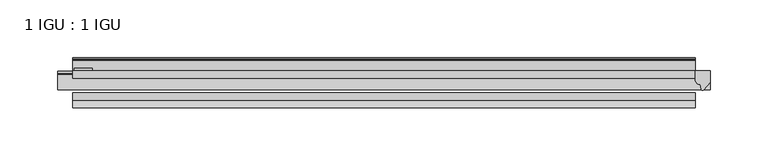
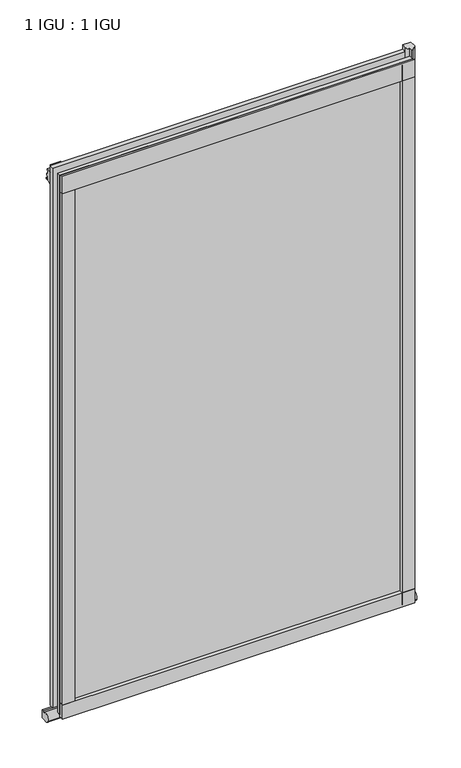
"""IFC4 building model written with IfcOpenShell, lengths in millimetres: plate geometry, 1 IGU : 1 IGU."""

import ifcopenshell
import ifcopenshell.guid

model = None  # the IFC model being written
_history = None  # IfcOwnerHistory: only IFC2X3 demands one
_inside = {}  # id of a spatial element -> (the spatial element, [elements in it])
_under = {}  # id of a project, library or spatial element -> (it, [spatial elements below it])
_declared = {}  # id of a project -> (the project, [libraries it declares])
_typed = {}  # id of a type object -> (the type object, [elements of that type])
_made_of = {}  # id of a material, layer set ... -> (it, [elements and type objects made of it])


def new_model(schema):
    """Start an empty IFC model of exactly this schema.

    Asked for "IFC4X3", IfcOpenShell would pick the latest addendum, in which some entities
    have other attributes; the version numbers below select the first issue.
    IFC2X3 requires an IfcOwnerHistory on every rooted entity: one is made here for all.
    """
    global model, _history
    if schema == "IFC4X3":
        model = ifcopenshell.file(schema_version=(4, 3, 0, 0))
    else:
        model = ifcopenshell.file(schema=schema)
    _inside.clear()
    _under.clear()
    _declared.clear()
    _typed.clear()
    _made_of.clear()
    _history = None
    if model.schema == "IFC2X3":
        org = make("IfcOrganization", Name="unknown")
        user = make(
            "IfcPersonAndOrganization",
            ThePerson=make("IfcPerson", FamilyName="unknown"),
            TheOrganization=org,
        )
        app = make(
            "IfcApplication",
            ApplicationDeveloper=org,
            Version="unknown",
            ApplicationFullName="unknown",
            ApplicationIdentifier="unknown",
        )
        _history = make(
            "IfcOwnerHistory",
            OwningUser=user,
            OwningApplication=app,
            ChangeAction="ADDED",
            CreationDate=0,
        )
    return model


def make(cls, **values):
    """One entity of the class cls with the attributes given. An attribute that is None is left unset."""
    return model.create_entity(
        cls, **{name: value for name, value in values.items() if value is not None}
    )


def rooted(cls, **values):
    """An entity with a GlobalId (a new one), such as an element, a storey or a relation."""
    return make(cls, GlobalId=ifcopenshell.guid.new(), OwnerHistory=_history, **values)


def si_unit(unit_type, name, prefix=None):
    """IfcSIUnit, for example si_unit("LENGTHUNIT", "METRE", prefix="MILLI")."""
    return make("IfcSIUnit", UnitType=unit_type, Prefix=prefix, Name=name)


def assignment(units):
    """IfcUnitAssignment: the units of a project."""
    return None if units is None else make("IfcUnitAssignment", Units=units)


def point(xyz):
    """IfcCartesianPoint."""
    return None if xyz is None else make("IfcCartesianPoint", Coordinates=xyz)


def direction(xyz):
    """IfcDirection."""
    return None if xyz is None else make("IfcDirection", DirectionRatios=xyz)


def frame(location, z_axis=None, x_axis=None):
    """IfcAxis2Placement3D, a coordinate frame: its origin and axes. An axis left out is left unset."""
    return make(
        "IfcAxis2Placement3D",
        Location=point(location),
        Axis=direction(z_axis),
        RefDirection=direction(x_axis),
    )


def frame_2d(location, x_axis=None):
    """IfcAxis2Placement2D, a coordinate frame in the plane: its origin and x axis."""
    return make(
        "IfcAxis2Placement2D", Location=point(location), RefDirection=direction(x_axis)
    )


def origin():
    """The frame at (0, 0, 0) with its axes left unset."""
    return frame((0.0, 0.0, 0.0))


def place(relative_to, where):
    """IfcLocalPlacement: puts the frame where relative to a parent placement (None: the world)."""
    return make(
        "IfcLocalPlacement", PlacementRelTo=relative_to, RelativePlacement=where
    )


def context(
    kind, dimensions, precision=None, world=None, true_north=None, identifier=None
):
    """IfcGeometricRepresentationContext, for example the 3D "Model" context."""
    return make(
        "IfcGeometricRepresentationContext",
        ContextIdentifier=identifier,
        ContextType=kind,
        CoordinateSpaceDimension=dimensions,
        Precision=precision,
        WorldCoordinateSystem=world,
        TrueNorth=true_north,
    )


def project(units=None, contexts=None):
    """IfcProject with its units and contexts."""
    return rooted(
        "IfcProject",
        Name="project",
        RepresentationContexts=contexts,
        UnitsInContext=assignment(units),
    )


def spatial(cls, under=None, at=None, **own):
    """A site, building, storey or space (cls), placed at a placement, below another one or the project."""
    s = rooted(cls, ObjectPlacement=at, **own)
    if under is not None:
        _under.setdefault(under.id(), (under, []))[1].append(s)
    return s


def polyline(points):
    """IfcPolyline through the points."""
    return make("IfcPolyline", Points=[point(p) for p in points])


def circle_curve(where, radius):
    """IfcCircle in the frame where."""
    return make("IfcCircle", Position=where, Radius=radius)


def ellipse_curve(where, semi_axis1, semi_axis2):
    """IfcEllipse in the frame where."""
    return make(
        "IfcEllipse", Position=where, SemiAxis1=semi_axis1, SemiAxis2=semi_axis2
    )


def trimmed(basis, trim1, trim2, sense, master):
    """IfcTrimmedCurve: the piece of a basis curve between two trims."""
    return make(
        "IfcTrimmedCurve",
        BasisCurve=basis,
        Trim1=trim1,
        Trim2=trim2,
        SenseAgreement=sense,
        MasterRepresentation=master,
    )


def segment(curve, same_sense, transition):
    """IfcCompositeCurveSegment."""
    return make(
        "IfcCompositeCurveSegment",
        Transition=transition,
        SameSense=same_sense,
        ParentCurve=curve,
    )


def composite_curve(segments, self_intersect=None):
    """IfcCompositeCurve: segments joined end to end."""
    return make("IfcCompositeCurve", Segments=segments, SelfIntersect=self_intersect)


def outline(outer, holes=None, kind="AREA"):
    """IfcArbitraryClosedProfileDef: a profile drawn as a closed curve; with holes, ...WithVoids."""
    if holes is None:
        return make("IfcArbitraryClosedProfileDef", ProfileType=kind, OuterCurve=outer)
    return make(
        "IfcArbitraryProfileDefWithVoids",
        ProfileType=kind,
        OuterCurve=outer,
        InnerCurves=holes,
    )


def extrude(swept, where, along, depth):
    """IfcExtrudedAreaSolid: the profile swept, set in the frame where, extruded along a direction by depth."""
    return make(
        "IfcExtrudedAreaSolid",
        SweptArea=swept,
        Position=where,
        ExtrudedDirection=direction(along),
        Depth=depth,
    )


def shape(context_of_items, identifier, shape_type, items):
    """IfcShapeRepresentation: the items that make up one representation, for example the "Body"."""
    return make(
        "IfcShapeRepresentation",
        ContextOfItems=context_of_items,
        RepresentationIdentifier=identifier,
        RepresentationType=shape_type,
        Items=items,
    )


def source(mapping_origin, context_of_items, identifier, shape_type, items):
    """IfcRepresentationMap: a shape defined once, which mapped items show again and again."""
    return make(
        "IfcRepresentationMap",
        MappingOrigin=mapping_origin,
        MappedRepresentation=shape(context_of_items, identifier, shape_type, items),
    )


def transform(
    local_origin,
    x_axis=None,
    y_axis=None,
    z_axis=None,
    scale=None,
    scale2=None,
    scale3=None,
    uniform=True,
):
    """IfcCartesianTransformationOperator3D, or its non-uniform kind. x_axis, y_axis, z_axis: its Axis1, 2, 3."""
    if uniform:
        return make(
            "IfcCartesianTransformationOperator3D",
            Axis1=direction(x_axis),
            Axis2=direction(y_axis),
            LocalOrigin=point(local_origin),
            Scale=scale,
            Axis3=direction(z_axis),
        )
    return make(
        "IfcCartesianTransformationOperator3DnonUniform",
        Axis1=direction(x_axis),
        Axis2=direction(y_axis),
        LocalOrigin=point(local_origin),
        Scale=scale,
        Axis3=direction(z_axis),
        Scale2=scale2,
        Scale3=scale3,
    )


def mapped(mapping_source, mapping_target):
    """IfcMappedItem: shows the shape of a source again, moved by a transform."""
    return make(
        "IfcMappedItem", MappingSource=mapping_source, MappingTarget=mapping_target
    )


def made_of(thing, what):
    """Note that an element or type object is made of a material, layer set ...; save() writes the relation."""
    if what is not None:
        _made_of.setdefault(what.id(), (what, []))[1].append(thing)
    return thing


def element(
    cls,
    number,
    at=None,
    inside=None,
    cuts=None,
    type_object=None,
    material=None,
    context=None,
    identifier="Body",
    shape_type=None,
    held_by="IfcProductDefinitionShape",
    body=None,
    shapes=None,
    **own,
):
    """One element of the class cls, such as IfcWall. Its Tag is "e" and its number.

    at: its placement. inside: the storey or other place that contains it. cuts: it is an
    opening in that element (IfcRelVoidsElement). A single representation is given by context,
    identifier, shape_type and body (its items); several are given by shapes. held_by: the class
    of the entity that holds the representations. save() writes the other relations.
    """
    e = rooted(cls, Tag="e%d" % number, ObjectPlacement=at, **own)
    if body is not None:
        shapes = [shape(context, identifier, shape_type, body)]
    if shapes is not None:
        e.Representation = make(held_by, Representations=shapes)
    if inside is not None:
        _inside.setdefault(inside.id(), (inside, []))[1].append(e)
    if cuts is not None:
        rooted(
            "IfcRelVoidsElement", RelatingBuildingElement=cuts, RelatedOpeningElement=e
        )
    if type_object is not None:
        _typed.setdefault(type_object.id(), (type_object, []))[1].append(e)
    return made_of(e, material)


def aggregate(whole, parts):
    """IfcRelAggregates: a whole, such as a stair, and the parts it consists of."""
    return rooted("IfcRelAggregates", RelatingObject=whole, RelatedObjects=parts)


def save(model, path):
    """Write the relations noted so far, then the file.

    IfcRelAggregates (storeys below a building ...), IfcRelContainedInSpatialStructure (elements
    in a storey), IfcRelDefinesByType, IfcRelAssociatesMaterial and IfcRelDeclares: one each for
    every whole, place, type object, material and project.
    """
    for whole, parts in _under.values():
        aggregate(whole, parts)
    for where, things in _inside.values():
        rooted(
            "IfcRelContainedInSpatialStructure",
            RelatedElements=things,
            RelatingStructure=where,
        )
    for kind, things in _typed.values():
        rooted("IfcRelDefinesByType", RelatedObjects=things, RelatingType=kind)
    for what, things in _made_of.values():
        rooted("IfcRelAssociatesMaterial", RelatedObjects=things, RelatingMaterial=what)
    for by, libraries in _declared.values():
        rooted("IfcRelDeclares", RelatingContext=by, RelatedDefinitions=libraries)
    model.write(path)


def plane_surface(at):
    """IfcPlane: the flat surface through the origin of the frame at, square to its z axis."""
    return make("IfcPlane", Position=at)


def revolved_surface(curve, axis_point, axis_direction):
    """IfcSurfaceOfRevolution: the curve turned about the line through axis_point along axis_direction."""
    return make(
        "IfcSurfaceOfRevolution",
        SweptCurve=make("IfcArbitraryOpenProfileDef", ProfileType="CURVE", Curve=curve),
        AxisPosition=make("IfcAxis1Placement", Location=point(axis_point), Axis=direction(axis_direction)),
    )


def extruded_surface(curve, direction_of_extrusion, depth):
    """IfcSurfaceOfLinearExtrusion: the curve pushed along a direction by depth."""
    return make(
        "IfcSurfaceOfLinearExtrusion",
        SweptCurve=make("IfcArbitraryOpenProfileDef", ProfileType="CURVE", Curve=curve),
        ExtrudedDirection=direction(direction_of_extrusion),
        Depth=depth,
    )


def advanced_brep(points, edges, surfaces, faces):
    """IfcAdvancedBrep: a solid bounded by faces that lie on surfaces and meet in shared edges.

    An edge is (start, end): straight between two places in points (the first is 0);
    or (start, end, curve); or (start, end, curve, False) where it runs against its curve.
    A face is (place in surfaces, loops), or (place, loops, False) where it looks against
    its surface's normal. A loop lists edges by number (the first is 1), with a minus sign
    where the edge is run from its end to its start. The first loop is the outer one.
    """
    corners = [point(p) for p in points]
    vertices = [make("IfcVertexPoint", VertexGeometry=c) for c in corners]
    made = []
    for start, end, *more in edges:
        made.append(
            make(
                "IfcEdgeCurve",
                EdgeStart=vertices[start],
                EdgeEnd=vertices[end],
                EdgeGeometry=more[0] if more else make("IfcPolyline", Points=[corners[start], corners[end]]),
                SameSense=more[1] if len(more) > 1 else True,
            )
        )
    hull = []
    for where, loops, *sense in faces:
        bounds = []
        for j, loop in enumerate(loops):
            ring = [make("IfcOrientedEdge", EdgeElement=made[abs(k) - 1], Orientation=k > 0) for k in loop]
            bounds.append(
                make(
                    "IfcFaceOuterBound" if j == 0 else "IfcFaceBound",
                    Bound=make("IfcEdgeLoop", EdgeList=ring),
                    Orientation=True,
                )
            )
        hull.append(make("IfcAdvancedFace", Bounds=bounds, FaceSurface=surfaces[where], SameSense=sense[0] if sense else True))
    return make("IfcAdvancedBrep", Outer=make("IfcClosedShell", CfsFaces=hull))


def plate_1_igu_1_igu_71a64f37(model_context):
    return source(origin(), model_context, "Body", "SolidModel", [
        extrude(outline(polyline([(268.605, 0.0021347), (268.605, -6.2992), (-268.605, -6.2992), (-268.605, 0.0021347), (268.605, 0.0021347)])), frame((0.0, 0.0, -19.05), z_axis=(0.0, 0.0, 1.0), x_axis=(1.0, 0.0, 0.0)), (0.0, 0.0, 1.0), 869.9368072),
        extrude(outline(polyline([(-268.605, -19.0986653), (268.605, -19.0986653), (268.605, -25.3978653), (-268.605, -25.3978653), (-268.605, -19.0986653)])), frame((0.0, 0.0, -19.05), z_axis=(0.0, 0.0, 1.0), x_axis=(1.0, 0.0, 0.0)), (0.0, 0.0, 1.0), 869.9368072),
        advanced_brep(
        [(281.305, -2.9334208, -29.3692082), (281.305, -15.7658436, -30.8313288), (281.305, -6.7904952, -34.925), (281.305, 0.0, -34.925), (281.305, 0.0, -22.225), (281.305, -2.5187477, -22.225), (-281.305, -2.9073519, -29.3720514), (-281.305, -2.5187477, -22.225), (-281.305, 0.0, -22.225), (-281.305, 0.0, -34.925), (-281.305, -6.7904952, -34.925), (-281.305, -15.7658436, -30.8313288)],
        [
            (0, 1, ellipse_curve(frame((281.305, -9.5065066, -28.575), z_axis=(1.0, 0.0, 0.0), x_axis=(0.0, 0.0, -1.0)), 6.9638038, 6.6162554)),
            (1, 2, ellipse_curve(frame((281.305, -9.5065066, -28.575), z_axis=(1.0, 0.0, 0.0), x_axis=(0.0, 0.0, -1.0)), 6.9638038, 6.6162554)),
            (2, 3),
            (3, 4, circle_curve(frame((281.305, 24.1576838, -28.575), z_axis=(-1.0, 0.0, 0.0), x_axis=(0.0, 0.0, 1.0)), 24.9783143)),
            (4, 5),
            (5, 0, circle_curve(frame((281.305, -68.4358767, -22.225), z_axis=(-1.0, 0.0, 0.0), x_axis=(0.0, 0.0, 1.0)), 65.917129)),
            (6, 7, circle_curve(frame((-281.305, -68.4358767, -22.225), z_axis=(1.0, 0.0, 0.0), x_axis=(0.0, 0.0, 1.0)), 65.917129)),
            (7, 8),
            (8, 9, circle_curve(frame((-281.305, 24.1576838, -28.575), z_axis=(1.0, 0.0, 0.0), x_axis=(0.0, 0.0, 1.0)), 24.9783143)),
            (9, 10),
            (10, 11, ellipse_curve(frame((-281.305, -9.5065066, -28.575), z_axis=(-1.0, 0.0, 0.0), x_axis=(0.0, 0.0, -1.0)), 6.9638038, 6.6162554)),
            (11, 6, ellipse_curve(frame((-281.305, -9.5065066, -28.575), z_axis=(-1.0, 0.0, 0.0), x_axis=(0.0, 0.0, -1.0)), 6.9638038, 6.6162554)),
            (0, 6),
            (11, 1),
            (10, 2),
            (9, 3),
            (8, 4),
            (7, 5),
        ],
        [
            plane_surface(frame((281.305, 0.0, -28.575), z_axis=(1.0, 0.0, 0.0), x_axis=(0.0, 1.0, 0.0))),
            plane_surface(frame((-281.305, 0.0, -28.575), z_axis=(-1.0, 0.0, 0.0), x_axis=(0.0, 1.0, 0.0))),
            extruded_surface(trimmed(ellipse_curve(frame((-281.305, -9.5065066, -28.575), z_axis=(1.0, 0.0, 0.0), x_axis=(0.0, 0.0, -1.0)), 6.9638038, 6.6162554), [point((-281.305, -2.9334208, -29.3692082))], [point((-281.305, -15.7658436, -30.8313288))], True, "CARTESIAN"), (562.61, 0.0, 0.0), 562.61),
            extruded_surface(trimmed(ellipse_curve(frame((-281.305, -9.5065066, -28.575), z_axis=(1.0, 0.0, 0.0), x_axis=(0.0, 0.0, -1.0)), 6.9638038, 6.6162554), [point((-281.305, -15.7658436, -30.8313288))], [point((-281.305, -6.7904952, -34.925))], True, "CARTESIAN"), (562.61, 0.0, 0.0), 562.61),
            plane_surface(frame((281.305, -6.7904952, -34.925), z_axis=(0.0, 0.0, -1.0), x_axis=(-1.0, 0.0, 0.0))),
            revolved_surface(polyline([(-281.305, 24.1576838, -3.5966856999999983), (281.305, 24.1576838, -3.5966856999999983)]), (281.305, 24.1576838, -28.575), (-1.0, 0.0, 0.0)),
            plane_surface(frame((281.305, 0.0, -22.225), z_axis=(0.0, 0.0, 1.0), x_axis=(-1.0, 0.0, 0.0))),
            revolved_surface(polyline([(-281.305, -68.4358767, 43.692129), (281.305, -68.4358767, 43.692129)]), (281.305, -68.4358767, -22.225), (-1.0, 0.0, 0.0)),
        ],
        [
            (0, [[1, 2, 3, 4, 5, 6]]),
            (1, [[7, 8, 9, 10, 11, 12]]),
            (2, [[-1, 13, -12, 14]]),
            (3, [[-2, -14, -11, 15]]),
            (4, [[-3, -15, -10, 16]]),
            (5, [[-4, -16, -9, 17]]),
            (6, [[-5, -17, -8, 18]]),
            (7, [[-6, -18, -7, -13]]),
        ],
    ),
        extrude(outline(composite_curve([segment(polyline([(281.305, 0.0), (281.305, -9.7395025), (275.7387691, -16.3730781)]), True, "CONTINUOUS"), segment(trimmed(circle_curve(frame_2d((274.7850941, -15.7728374)), 1.1268473), [point((275.7387691, -16.3730781))], [point((273.6841412, -16.0130197))], False, "CARTESIAN"), True, "CONTINUOUS"), segment(polyline([(273.6841412, -16.0130197), (272.7039498, -11.7377885)]), True, "CONTINUOUS"), segment(trimmed(circle_curve(frame_2d((272.5764979, -7.7683362)), 3.9714979), [point((272.7039498, -11.7377885))], [point((268.6051786, -7.8060014))], False, "CARTESIAN"), True, "CONTINUOUS"), segment(polyline([(268.6051786, -7.8060014), (268.6051786, 0.0), (281.305, 0.0)]), True, "CONTINUOUS")], self_intersect=False)), frame((0.0, 0.0, -19.05), z_axis=(0.0, 0.0, 1.0), x_axis=(1.0, 0.0, 0.0)), (0.0, 0.0, 1.0), 877.0742072),
        extrude(outline(composite_curve([segment(polyline([(-31.75, 0.0), (-25.4, 0.0), (-25.4, -22.225)]), True, "CONTINUOUS"), segment(trimmed(circle_curve(frame_2d((-28.575, -28.9113452)), 7.4018806), [point((-25.4, -22.225))], [point((-31.75, -22.225))], True, "CARTESIAN"), True, "CONTINUOUS"), segment(polyline([(-31.75, -22.225), (-31.75, 0.0)]), True, "CONTINUOUS")], self_intersect=False)), frame((-268.605, 0.0, 0.0), z_axis=(1.0, 0.0, 0.0), x_axis=(0.0, 1.0, 0.0)), (0.0, 0.0, 1.0), 537.21),
        extrude(outline(composite_curve([segment(polyline([(8.509, 840.7300284), (8.509, 838.6980284), (6.35, 838.6980284), (6.35, 833.3640284), (8.9492698, 833.3640284)]), True, "CONTINUOUS"), segment(trimmed(circle_curve(frame_2d((8.208689, 831.8368072)), 1.697311), [point((8.9492698, 833.3640284))], [point((8.962411, 830.3160284))], False, "CARTESIAN"), True, "CONTINUOUS"), segment(polyline([(8.962411, 830.3160284), (6.35, 830.3160284), (6.35, 825.4868072), (11.1252, 825.4868072), (11.1252, 824.5978072)]), True, "CONTINUOUS"), segment(trimmed(circle_curve(frame_2d((10.1092, 824.5978072)), 1.016), [point((11.1252, 824.5978072))], [point((10.1092, 823.5818072))], False, "CARTESIAN"), True, "CONTINUOUS"), segment(trimmed(circle_curve(frame_2d((10.1092, 804.1707318)), 19.4110754), [point((10.1092, 823.5818072))], [point((0.0, 820.7416075))], True, "CARTESIAN"), True, "CONTINUOUS"), segment(polyline([(0.0, 820.7416075), (0.0, 840.7300284), (8.509, 840.7300284)]), True, "CONTINUOUS")], self_intersect=False)), frame((-268.605, 0.0, 0.0), z_axis=(1.0, 0.0, 0.0), x_axis=(0.0, 1.0, 0.0)), (0.0, 0.0, 1.0), 537.21),
        extrude(outline(composite_curve([segment(polyline([(-25.4, 850.8868072), (-25.4, 825.4868072), (-31.75, 825.4868072), (-31.75, 853.6597045)]), True, "CONTINUOUS"), segment(trimmed(circle_curve(frame_2d((-24.1401272, 862.4292187)), 11.6109665), [point((-31.75, 853.6597045))], [point((-25.4, 850.8868072))], True, "CARTESIAN"), True, "CONTINUOUS")], self_intersect=False)), frame((-268.605, 0.0, 0.0), z_axis=(1.0, 0.0, 0.0), x_axis=(0.0, 1.0, 0.0)), (0.0, 0.0, 1.0), 537.21),
        extrude(outline(composite_curve([segment(polyline([(249.555, -25.4), (268.605, -25.4)]), True, "CONTINUOUS"), segment(trimmed(circle_curve(frame_2d((278.0711507, -28.575)), 9.9844196), [point((268.605, -25.4))], [point((268.605, -31.75))], True, "CARTESIAN"), True, "CONTINUOUS"), segment(polyline([(268.605, -31.75), (249.555, -31.75), (249.555, -25.4)]), True, "CONTINUOUS")], self_intersect=False)), frame((0.0, 0.0, -19.05), z_axis=(0.0, 0.0, 1.0), x_axis=(1.0, 0.0, 0.0)), (0.0, 0.0, 1.0), 869.9368072),
        extrude(outline(composite_curve([segment(trimmed(circle_curve(frame_2d((-278.0711507, -28.575)), 9.9844196), [point((-268.605, -31.75))], [point((-268.605, -25.4))], True, "CARTESIAN"), True, "CONTINUOUS"), segment(polyline([(-268.605, -25.4), (-249.555, -25.4), (-249.555, -31.75), (-268.605, -31.75)]), True, "CONTINUOUS")], self_intersect=False)), frame((0.0, 0.0, -19.05), z_axis=(0.0, 0.0, 1.0), x_axis=(1.0, 0.0, 0.0)), (0.0, 0.0, 1.0), 869.9368072),
        extrude(outline(polyline([(-267.3985, 0.0), (-267.3985, 2.286), (-251.5235, 2.286), (-251.5235, 0.0), (-267.3985, 0.0)])), frame((0.0, 0.0, -19.05), z_axis=(0.0, 0.0, 1.0), x_axis=(1.0, 0.0, 0.0)), (0.0, 0.0, 1.0), 869.9368072),
    ])


if __name__ == "__main__":
    model = new_model("IFC4")
    model_context = context("Model", 3, world=origin())
    ifc_project = project(units=[si_unit("LENGTHUNIT", "METRE", prefix="MILLI")], contexts=[model_context])
    site = spatial("IfcSite", under=ifc_project)
    building = spatial("IfcBuilding", under=site)
    placement = place(None, origin())
    plate_1_igu_1_igu_shape = plate_1_igu_1_igu_71a64f37(model_context)
    element("IfcPlate", 1, ObjectType="1 IGU : 1 IGU", at=placement, inside=building, context=model_context, shape_type="MappedRepresentation", body=[
        mapped(plate_1_igu_1_igu_shape, transform((0.0, 0.0, 0.0), x_axis=(1.0, 0.0, 0.0), y_axis=(0.0, 1.0, 0.0), z_axis=(0.0, 0.0, 1.0))),
    ])
    save(model, "model.ifc")
